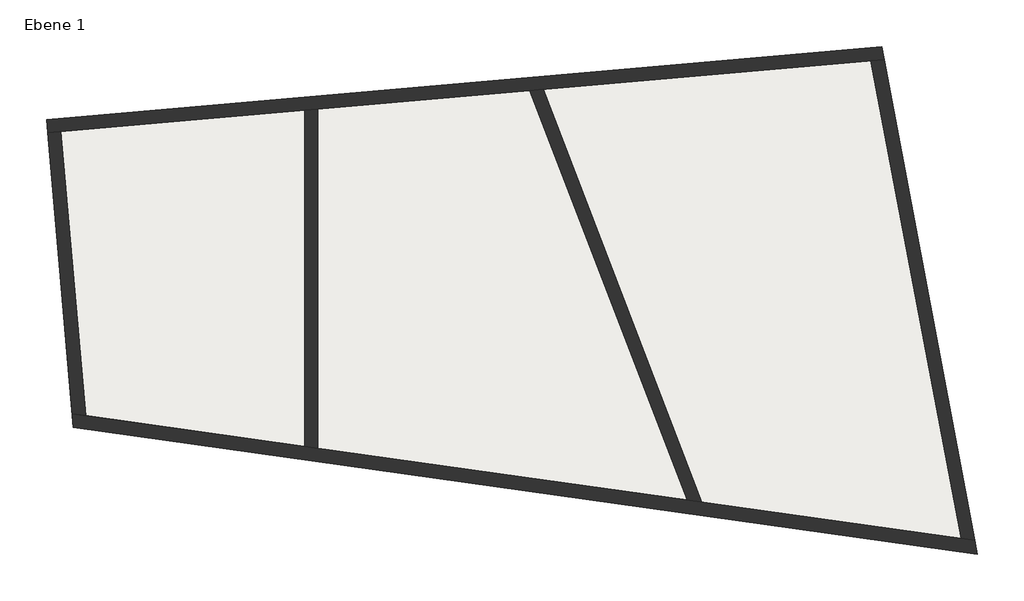
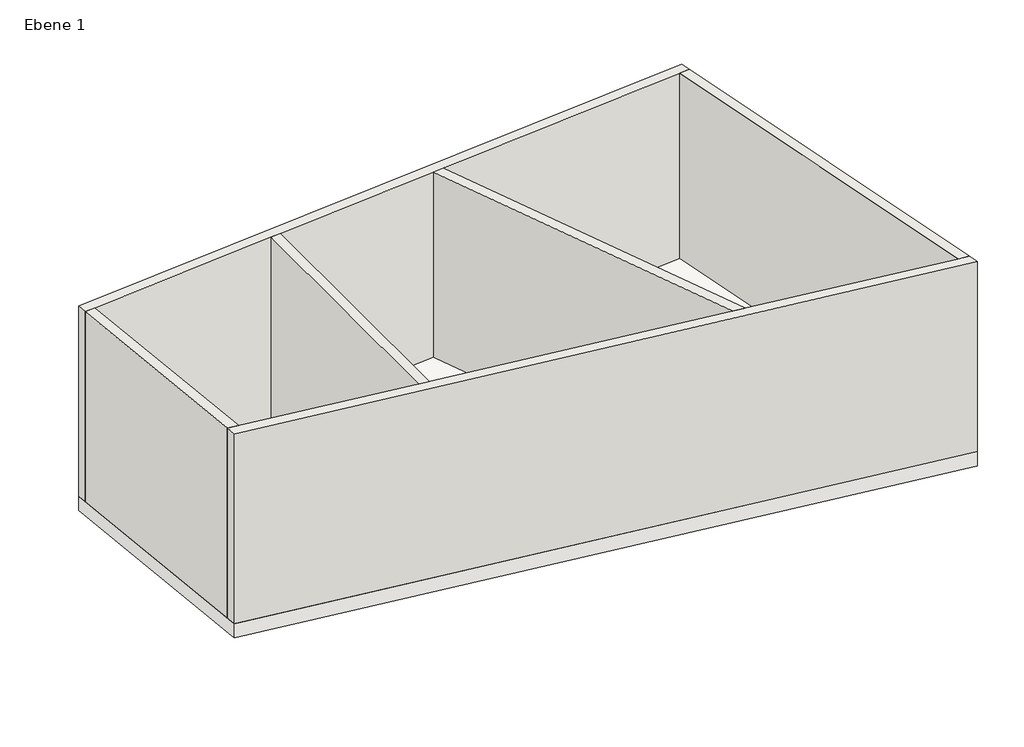
# One storey: 6 walls, 4 slabs.
"""IFC4 building model written with IfcOpenShell, lengths in millimetres."""

import ifcopenshell
import ifcopenshell.guid

model = None  # the IFC model being written
_history = None  # IfcOwnerHistory: only IFC2X3 demands one
_inside = {}  # id of a spatial element -> (the spatial element, [elements in it])
_under = {}  # id of a project, library or spatial element -> (it, [spatial elements below it])
_declared = {}  # id of a project -> (the project, [libraries it declares])
_typed = {}  # id of a type object -> (the type object, [elements of that type])
_made_of = {}  # id of a material, layer set ... -> (it, [elements and type objects made of it])


def new_model(schema):
    """Start an empty IFC model of exactly this schema.

    Asked for "IFC4X3", IfcOpenShell would pick the latest addendum, in which some entities
    have other attributes; the version numbers below select the first issue.
    IFC2X3 requires an IfcOwnerHistory on every rooted entity: one is made here for all.
    """
    global model, _history
    if schema == "IFC4X3":
        model = ifcopenshell.file(schema_version=(4, 3, 0, 0))
    else:
        model = ifcopenshell.file(schema=schema)
    _inside.clear()
    _under.clear()
    _declared.clear()
    _typed.clear()
    _made_of.clear()
    _history = None
    if model.schema == "IFC2X3":
        org = make("IfcOrganization", Name="unknown")
        user = make(
            "IfcPersonAndOrganization",
            ThePerson=make("IfcPerson", FamilyName="unknown"),
            TheOrganization=org,
        )
        app = make(
            "IfcApplication",
            ApplicationDeveloper=org,
            Version="unknown",
            ApplicationFullName="unknown",
            ApplicationIdentifier="unknown",
        )
        _history = make(
            "IfcOwnerHistory",
            OwningUser=user,
            OwningApplication=app,
            ChangeAction="ADDED",
            CreationDate=0,
        )
    return model


def make(cls, **values):
    """One entity of the class cls with the attributes given. An attribute that is None is left unset."""
    return model.create_entity(
        cls, **{name: value for name, value in values.items() if value is not None}
    )


def rooted(cls, **values):
    """An entity with a GlobalId (a new one), such as an element, a storey or a relation."""
    return make(cls, GlobalId=ifcopenshell.guid.new(), OwnerHistory=_history, **values)


def si_unit(unit_type, name, prefix=None):
    """IfcSIUnit, for example si_unit("LENGTHUNIT", "METRE", prefix="MILLI")."""
    return make("IfcSIUnit", UnitType=unit_type, Prefix=prefix, Name=name)


def assignment(units):
    """IfcUnitAssignment: the units of a project."""
    return None if units is None else make("IfcUnitAssignment", Units=units)


def point(xyz):
    """IfcCartesianPoint."""
    return None if xyz is None else make("IfcCartesianPoint", Coordinates=xyz)


def direction(xyz):
    """IfcDirection."""
    return None if xyz is None else make("IfcDirection", DirectionRatios=xyz)


def frame(location, z_axis=None, x_axis=None):
    """IfcAxis2Placement3D, a coordinate frame: its origin and axes. An axis left out is left unset."""
    return make(
        "IfcAxis2Placement3D",
        Location=point(location),
        Axis=direction(z_axis),
        RefDirection=direction(x_axis),
    )


def origin():
    """The frame at (0, 0, 0) with its axes left unset."""
    return frame((0.0, 0.0, 0.0))


def origin_with_axes():
    """The frame at (0, 0, 0) with the z axis (0, 0, 1) and the x axis (1, 0, 0) written out."""
    return frame((0.0, 0.0, 0.0), z_axis=(0.0, 0.0, 1.0), x_axis=(1.0, 0.0, 0.0))


def place(relative_to, where):
    """IfcLocalPlacement: puts the frame where relative to a parent placement (None: the world)."""
    return make(
        "IfcLocalPlacement", PlacementRelTo=relative_to, RelativePlacement=where
    )


def context(
    kind, dimensions, precision=None, world=None, true_north=None, identifier=None
):
    """IfcGeometricRepresentationContext, for example the 3D "Model" context."""
    return make(
        "IfcGeometricRepresentationContext",
        ContextIdentifier=identifier,
        ContextType=kind,
        CoordinateSpaceDimension=dimensions,
        Precision=precision,
        WorldCoordinateSystem=world,
        TrueNorth=true_north,
    )


def project(units=None, contexts=None):
    """IfcProject with its units and contexts."""
    return rooted(
        "IfcProject",
        Name="project",
        RepresentationContexts=contexts,
        UnitsInContext=assignment(units),
    )


def spatial(cls, under=None, at=None, **own):
    """A site, building, storey or space (cls), placed at a placement, below another one or the project."""
    s = rooted(cls, ObjectPlacement=at, **own)
    if under is not None:
        _under.setdefault(under.id(), (under, []))[1].append(s)
    return s


def polyline(points):
    """IfcPolyline through the points."""
    return make("IfcPolyline", Points=[point(p) for p in points])


def outline(outer, holes=None, kind="AREA"):
    """IfcArbitraryClosedProfileDef: a profile drawn as a closed curve; with holes, ...WithVoids."""
    if holes is None:
        return make("IfcArbitraryClosedProfileDef", ProfileType=kind, OuterCurve=outer)
    return make(
        "IfcArbitraryProfileDefWithVoids",
        ProfileType=kind,
        OuterCurve=outer,
        InnerCurves=holes,
    )


def extrude(swept, where, along, depth):
    """IfcExtrudedAreaSolid: the profile swept, set in the frame where, extruded along a direction by depth."""
    return make(
        "IfcExtrudedAreaSolid",
        SweptArea=swept,
        Position=where,
        ExtrudedDirection=direction(along),
        Depth=depth,
    )


def faces_of(points, faces, orient=None, outer=None):
    """IfcFace entities. A face is a list of loops; a loop is a list of indices into points, from 0.

    orient and outer hold one flag for each loop. By default every Orientation is true, the
    first loop of a face is its IfcFaceOuterBound and the others are IfcFaceBound.
    """
    made = []
    for i, loops in enumerate(faces):
        bounds = []
        for j, loop in enumerate(loops):
            is_outer = j == 0 if outer is None else outer[i][j]
            bounds.append(
                make(
                    "IfcFaceOuterBound" if is_outer else "IfcFaceBound",
                    Bound=make("IfcPolyLoop", Polygon=[points[k] for k in loop]),
                    Orientation=True if orient is None else orient[i][j],
                )
            )
        made.append(make("IfcFace", Bounds=bounds))
    return made


def faceted_brep(points, faces, orient=None, outer=None, voids=None):
    """IfcFacetedBrep: a solid bounded by flat faces; with voids (closed shells), ...WithVoids."""
    shared = [point(p) for p in points]
    hull = make("IfcClosedShell", CfsFaces=faces_of(shared, faces, orient, outer))
    if voids is None:
        return make("IfcFacetedBrep", Outer=hull)
    return make(
        "IfcFacetedBrepWithVoids",
        Outer=hull,
        Voids=[
            make(cls, CfsFaces=faces_of(shared, fs, o, b)) for cls, fs, o, b in voids
        ],
    )


def shape(context_of_items, identifier, shape_type, items):
    """IfcShapeRepresentation: the items that make up one representation, for example the "Body"."""
    return make(
        "IfcShapeRepresentation",
        ContextOfItems=context_of_items,
        RepresentationIdentifier=identifier,
        RepresentationType=shape_type,
        Items=items,
    )


def made_of(thing, what):
    """Note that an element or type object is made of a material, layer set ...; save() writes the relation."""
    if what is not None:
        _made_of.setdefault(what.id(), (what, []))[1].append(thing)
    return thing


def element(
    cls,
    number,
    at=None,
    inside=None,
    cuts=None,
    type_object=None,
    material=None,
    context=None,
    identifier="Body",
    shape_type=None,
    held_by="IfcProductDefinitionShape",
    body=None,
    shapes=None,
    **own,
):
    """One element of the class cls, such as IfcWall. Its Tag is "e" and its number.

    at: its placement. inside: the storey or other place that contains it. cuts: it is an
    opening in that element (IfcRelVoidsElement). A single representation is given by context,
    identifier, shape_type and body (its items); several are given by shapes. held_by: the class
    of the entity that holds the representations. save() writes the other relations.
    """
    e = rooted(cls, Tag="e%d" % number, ObjectPlacement=at, **own)
    if body is not None:
        shapes = [shape(context, identifier, shape_type, body)]
    if shapes is not None:
        e.Representation = make(held_by, Representations=shapes)
    if inside is not None:
        _inside.setdefault(inside.id(), (inside, []))[1].append(e)
    if cuts is not None:
        rooted(
            "IfcRelVoidsElement", RelatingBuildingElement=cuts, RelatedOpeningElement=e
        )
    if type_object is not None:
        _typed.setdefault(type_object.id(), (type_object, []))[1].append(e)
    return made_of(e, material)


def aggregate(whole, parts):
    """IfcRelAggregates: a whole, such as a stair, and the parts it consists of."""
    return rooted("IfcRelAggregates", RelatingObject=whole, RelatedObjects=parts)


def save(model, path):
    """Write the relations noted so far, then the file.

    IfcRelAggregates (storeys below a building ...), IfcRelContainedInSpatialStructure (elements
    in a storey), IfcRelDefinesByType, IfcRelAssociatesMaterial and IfcRelDeclares: one each for
    every whole, place, type object, material and project.
    """
    for whole, parts in _under.values():
        aggregate(whole, parts)
    for where, things in _inside.values():
        rooted(
            "IfcRelContainedInSpatialStructure",
            RelatedElements=things,
            RelatingStructure=where,
        )
    for kind, things in _typed.values():
        rooted("IfcRelDefinesByType", RelatedObjects=things, RelatingType=kind)
    for what, things in _made_of.values():
        rooted("IfcRelAssociatesMaterial", RelatedObjects=things, RelatingMaterial=what)
    for by, libraries in _declared.values():
        rooted("IfcRelDeclares", RelatingContext=by, RelatedDefinitions=libraries)
    model.write(path)


model = new_model("IFC4")

# Units and contexts
model_context = context("Model", 3, world=origin())
ifc_project = project(units=[si_unit("LENGTHUNIT", "METRE", prefix="MILLI")], contexts=[model_context])

# Site, building, storey
site = spatial("IfcSite", under=ifc_project)
building = spatial("IfcBuilding", under=site)
storey = spatial("IfcBuildingStorey", under=building, Name="Ebene 1", Elevation=0.0)

# Slabs
placement = place(None, origin())
element("IfcSlab", 1, ObjectType="Geschossdecke 1", at=placement, inside=storey, context=model_context, shape_type="SweptSolid", body=[
    extrude(outline(polyline([(3617.1188852, -205.3978239), (16259.3798879, 900.6566952), (17709.388709, -6790.3542507), (4024.9679826, -4867.1343394), (3617.1188852, -205.3978239)])), frame((0.0, 0.0, -300.0), z_axis=(0.0, 0.0, 1.0), x_axis=(1.0, 0.0, 0.0)), (0.0, 0.0, 1.0), 300.0),
])
element("IfcSlab", 2, ObjectType="Geschossdecke 2", at=placement, inside=storey, context=model_context, shape_type="SweptSolid", body=[
    extrude(outline(polyline([(3833.7889733, -387.2056149), (7526.3627244, -64.1472725), (7526.3627244, -5157.2577645), (4210.3415606, -4691.2213822), (3833.7889733, -387.2056149)])), origin_with_axes(), (0.0, 0.0, 1.0), 100.0),
])
element("IfcSlab", 3, ObjectType="Geschossdecke 2", at=placement, inside=storey, context=model_context, shape_type="SweptSolid", body=[
    extrude(outline(polyline([(10931.3221446, 233.7480766), (13312.9114391, -5970.5041509), (7726.3627244, -5185.3659314), (7726.3627244, -46.6495398), (10931.3221446, 233.7480766)])), origin_with_axes(), (0.0, 0.0, 1.0), 100.0),
])
element("IfcSlab", 4, ObjectType="Geschossdecke 2", at=placement, inside=storey, context=model_context, shape_type="SweptSolid", body=[
    extrude(outline(polyline([(16096.3954229, 685.6334347), (17461.212304, -6553.5098171), (13539.356844, -6002.3289771), (11138.5903011, 251.8816906), (16096.3954229, 685.6334347)])), origin_with_axes(), (0.0, 0.0, 1.0), 100.0),
])

# Walls
element("IfcWall", 5, ObjectType="Wand 1", at=placement, inside=storey, context=model_context, shape_type="Brep", body=[
    faceted_brep([(3634.5500337, -404.6367635, 0.0), (3833.7889733, -387.2056149, 0.0), (7526.3627244, -64.1472725, 0.0), (7726.3627244, -46.6495398, 0.0), (10931.3221446, 233.7480766, 0.0), (11138.5903011, 251.8816906, 0.0), (16096.3954229, 685.6334347, 0.0), (16296.6163108, 703.1504926, 0.0), (16296.6163108, 703.1504926, 4000.0), (16096.3954229, 685.6334347, 4000.0), (11138.5903011, 251.8816906, 4000.0), (10931.3221446, 233.7480766, 4000.0), (7726.3627244, -46.6495398, 4000.0), (7526.3627244, -64.1472725, 4000.0), (3833.7889733, -387.2056149, 4000.0), (3634.5500337, -404.6367635, 4000.0), (3617.1188852, -205.3978239, 0.0), (3617.1188852, -205.3978239, 4000.0), (16259.3798879, 900.6566952, 4000.0), (16259.3798879, 900.6566952, 0.0)], [[[0, 1, 2, 3, 4, 5, 6, 7, 8, 9, 10, 11, 12, 13, 14, 15]], [[16, 17, 18, 19]], [[7, 6, 5, 4, 3, 2, 1, 0, 16, 19]], [[15, 14, 13, 12, 11, 10, 9, 8, 18, 17]], [[0, 15, 17, 16]], [[8, 7, 19, 18]]]),
])
element("IfcWall", 6, ObjectType="Wand 1", at=placement, inside=storey, context=model_context, shape_type="Brep", body=[
    faceted_brep([(4024.9679826, -4867.1343394, 0.0), (17709.388709, -6790.3542507, 0.0), (17709.388709, -6790.3542507, 4000.0), (4024.9679826, -4867.1343394, 4000.0), (4007.0783232, -4662.6545972, 0.0), (4007.0783232, -4662.6545972, 4000.0), (4210.3415606, -4691.2213822, 4000.0), (7526.3627244, -5157.2577645, 4000.0), (7726.3627244, -5185.3659314, 4000.0), (13312.9114391, -5970.5041509, 4000.0), (13539.356844, -6002.3289771, 4000.0), (17461.212304, -6553.5098171, 4000.0), (17670.2751845, -6582.8916888, 4000.0), (17670.2751845, -6582.8916888, 0.0), (17461.212304, -6553.5098171, 0.0), (13539.356844, -6002.3289771, 0.0), (13312.9114391, -5970.5041509, 0.0), (7726.3627244, -5185.3659314, 0.0), (7526.3627244, -5157.2577645, 0.0), (4210.3415606, -4691.2213822, 0.0)], [[[0, 1, 2, 3]], [[4, 5, 6, 7, 8, 9, 10, 11, 12, 13, 14, 15, 16, 17, 18, 19]], [[1, 0, 4, 19, 18, 17, 16, 15, 14, 13]], [[3, 2, 12, 11, 10, 9, 8, 7, 6, 5]], [[0, 3, 5, 4]], [[2, 1, 13, 12]]]),
])
element("IfcWall", 7, ObjectType="Wand 1", at=placement, inside=storey, context=model_context, shape_type="SweptSolid", body=[
    extrude(outline(polyline([(4007.0783232, -4662.6545972), (3634.5500337, -404.6367635), (3833.7889733, -387.2056149), (4210.3415606, -4691.2213822), (4007.0783232, -4662.6545972)])), origin_with_axes(), (0.0, 0.0, 1.0), 4000.0),
])
element("IfcWall", 8, ObjectType="Wand 1", at=placement, inside=storey, context=model_context, shape_type="SweptSolid", body=[
    extrude(outline(polyline([(17461.212304, -6553.5098171), (16096.3954229, 685.6334347), (16296.6163108, 703.1504926), (17670.2751845, -6582.8916888), (17461.212304, -6553.5098171)])), origin_with_axes(), (0.0, 0.0, 1.0), 4000.0),
])
element("IfcWall", 9, ObjectType="Wand 1", at=placement, inside=storey, context=model_context, shape_type="SweptSolid", body=[
    extrude(outline(polyline([(7726.3627244, -46.6495398), (7726.3627244, -5185.3659314), (7526.3627244, -5157.2577645), (7526.3627244, -64.1472725), (7726.3627244, -46.6495398)])), origin_with_axes(), (0.0, 0.0, 1.0), 4000.0),
])
element("IfcWall", 10, ObjectType="Wand 1", at=placement, inside=storey, context=model_context, shape_type="SweptSolid", body=[
    extrude(outline(polyline([(13312.9114391, -5970.5041509), (10931.3221446, 233.7480766), (11138.5903011, 251.8816906), (13539.356844, -6002.3289771), (13312.9114391, -5970.5041509)])), origin_with_axes(), (0.0, 0.0, 1.0), 4000.0),
])

save(model, "model.ifc")
